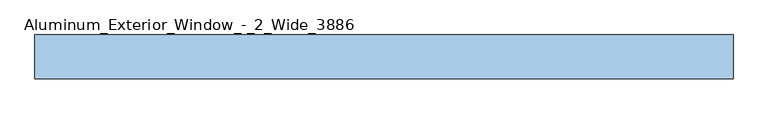
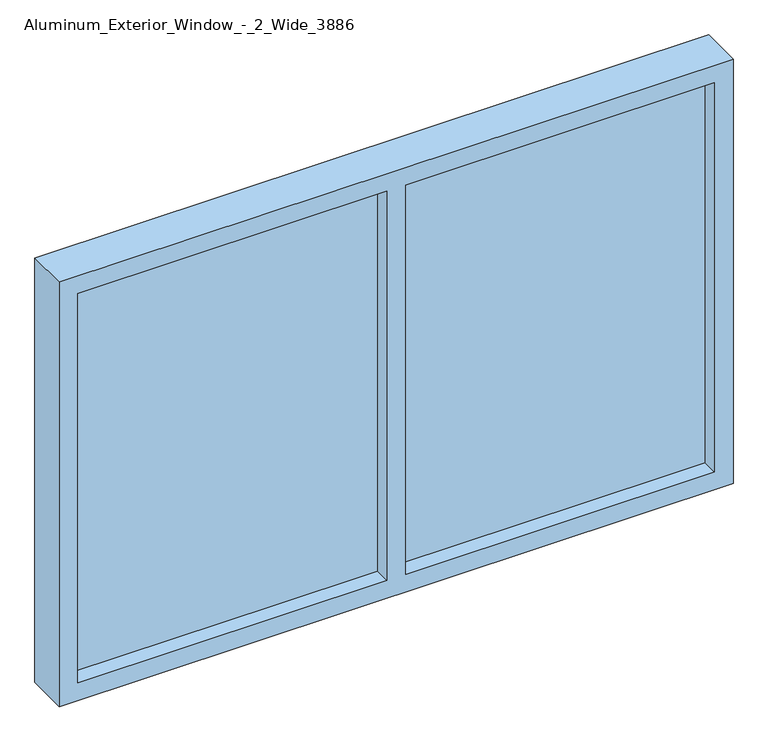
"""IFC4 building model written with IfcOpenShell, lengths in millimetres: window geometry, Aluminum_Exterior_Window_-_2_Wide_3886."""

from ifc_helpers import new_model, si_unit, frame, origin, place, context, project, spatial, polyline, outline, extrude, source, transform, mapped, element, save


def aluminum_exterior_window_2_wide_3886_029fcb6d(model_context):
    return source(origin(), model_context, "Body", "SweptSolid", [
        extrude(outline(polyline([(-431.8, 56.7075246), (406.4, 56.7075246), (406.4, 31.3075246), (-431.8, 31.3075246), (-431.8, 56.7075246)])), frame((0.0, 0.0, 1066.8), z_axis=(0.0, 0.0, 1.0), x_axis=(1.0, 0.0, 0.0)), (0.0, 0.0, 1.0), 1117.6),
        extrude(outline(polyline([(-1320.8, 56.7075246), (-482.6, 56.7075246), (-482.6, 31.3075246), (-1320.8, 31.3075246), (-1320.8, 56.7075246)])), frame((0.0, 0.0, 1066.8), z_axis=(0.0, 0.0, 1.0), x_axis=(1.0, 0.0, 0.0)), (0.0, 0.0, 1.0), 1117.6),
        extrude(outline(polyline([(2235.2, -1371.6), (1016.0, -1371.6), (1016.0, 457.2), (2235.2, 457.2), (2235.2, -1371.6)]), holes=[polyline([(2184.4, -431.8), (2184.4, 406.4), (1066.8, 406.4), (1066.8, -431.8), (2184.4, -431.8)]), polyline([(2184.4, -1320.8), (2184.4, -482.6), (1066.8, -482.6), (1066.8, -1320.8), (2184.4, -1320.8)])]), frame((0.0, -13.1424754, 0.0), z_axis=(0.0, 1.0, 0.0), x_axis=(0.0, 0.0, 1.0)), (0.0, 0.0, 1.0), 114.3),
    ])


if __name__ == "__main__":
    model = new_model("IFC4")
    model_context = context("Model", 3, world=origin())
    ifc_project = project(units=[si_unit("LENGTHUNIT", "METRE", prefix="MILLI")], contexts=[model_context])
    site = spatial("IfcSite", under=ifc_project)
    building = spatial("IfcBuilding", under=site)
    placement = place(None, origin())
    aluminum_exterior_window_2_wide_3886_shape = aluminum_exterior_window_2_wide_3886_029fcb6d(model_context)
    element("IfcWindow", 1, ObjectType="Aluminum_Exterior_Window_-_2_Wide_3886", at=placement, inside=building, context=model_context, shape_type="MappedRepresentation", body=[
        mapped(aluminum_exterior_window_2_wide_3886_shape, transform((0.0, 0.0, 0.0), x_axis=(1.0, 0.0, 0.0), y_axis=(0.0, 1.0, 0.0), z_axis=(0.0, 0.0, 1.0))),
    ])
    save(model, "model.ifc")
